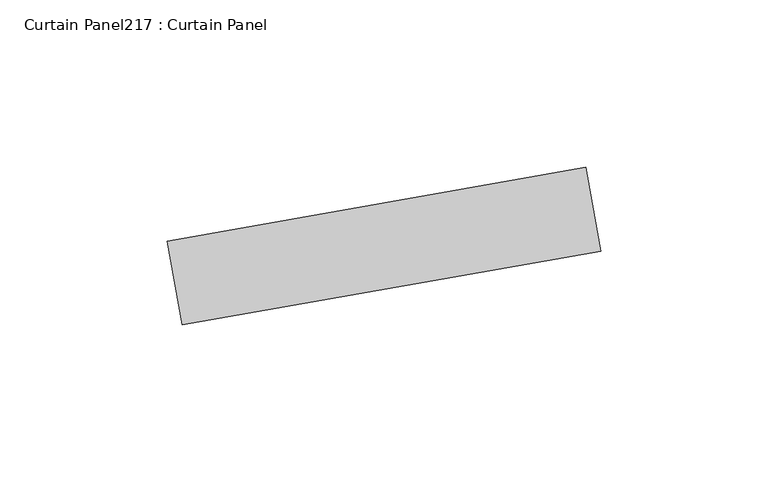
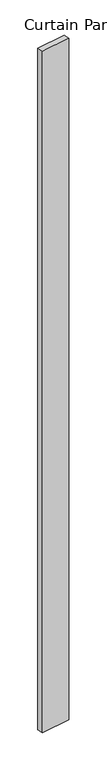
"""IFC4 building model written with IfcOpenShell, lengths in millimetres: plate geometry, Curtain Panel217 : Curtain Panel."""

from ifc_helpers import new_model, si_unit, frame, origin, place, context, project, spatial, polyline, outline, extrude, source, transform, mapped, element, save


def curtain_panel217_curtain_panel_90859c51(model_context):
    return source(origin(), model_context, "Body", "SweptSolid", [
        extrude(outline(polyline([(626336.565265, 2397.7149061), (626211.4946803, 2375.6615876), (626207.0840166, 2400.6757045), (626332.1546012, 2422.7290231), (626336.565265, 2397.7149061)])), frame((0.0, 0.0, 4959.7989371), z_axis=(0.0, 0.0, 1.0), x_axis=(1.0, 0.0, 0.0)), (0.0, 0.0, 1.0), 3048.0),
    ])


if __name__ == "__main__":
    model = new_model("IFC4")
    model_context = context("Model", 3, world=origin())
    ifc_project = project(units=[si_unit("LENGTHUNIT", "METRE", prefix="MILLI")], contexts=[model_context])
    site = spatial("IfcSite", under=ifc_project)
    building = spatial("IfcBuilding", under=site)
    placement = place(None, origin())
    curtain_panel217_curtain_panel_shape = curtain_panel217_curtain_panel_90859c51(model_context)
    element("IfcPlate", 1, ObjectType="Curtain Panel217 : Curtain Panel", at=placement, inside=building, context=model_context, shape_type="MappedRepresentation", body=[
        mapped(curtain_panel217_curtain_panel_shape, transform((0.0, 0.0, 0.0), x_axis=(1.0, 0.0, 0.0), y_axis=(0.0, 1.0, 0.0), z_axis=(0.0, 0.0, 1.0))),
    ])
    save(model, "model.ifc")
